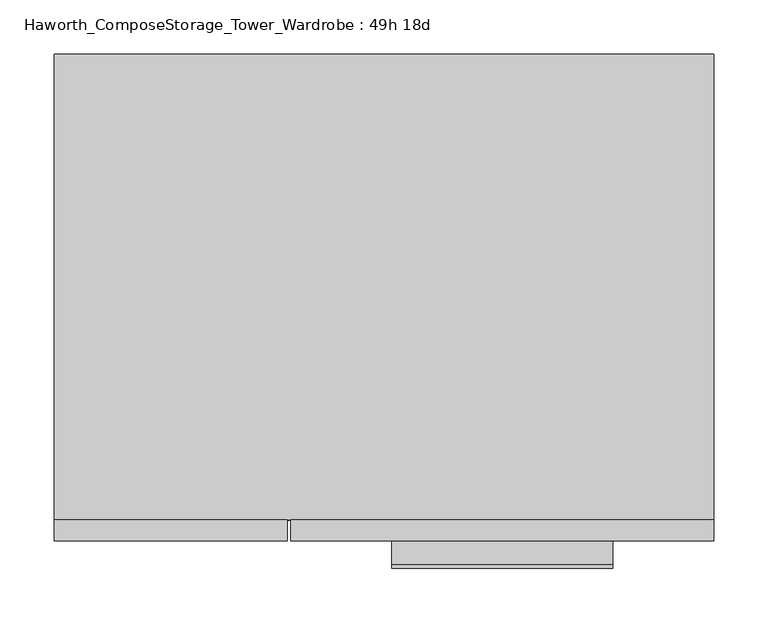
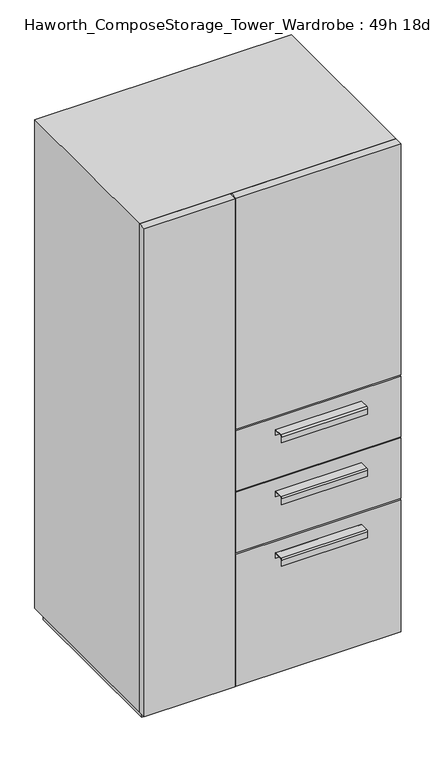
"""IFC4 building model written with IfcOpenShell, lengths in millimetres: furniture geometry, Haworth_ComposeStorage_Tower_Wardrobe : 49h 18d."""

from ifc_helpers import new_model, si_unit, point, frame, frame_2d, origin, origin_with_axes, place, context, project, spatial, polyline, circle_curve, trimmed, segment, composite_curve, outline, extrude, faceted_brep, source, transform, mapped, element, save


def haworth_composestorage_tower_wardrobe_49h_18d_2ef11e30(model_context):
    return source(origin(), model_context, "Body", "SolidModel", [
        extrude(outline(composite_curve([segment(polyline([(-255.5875242, 633.9919215), (-233.3625, 633.9919215), (-233.3625, 620.5299525), (-234.1562742, 620.5299525), (-234.1562742, 633.1982199), (-255.5875242, 633.1982199)]), True, "CONTINUOUS"), segment(trimmed(circle_curve(frame_2d((-255.5875242, 630.8142808)), 2.3839392), [point((-255.5875242, 633.1982199))], [point((-257.9714634, 630.8142808))], True, "CARTESIAN"), True, "CONTINUOUS"), segment(polyline([(-257.9714634, 630.8142808), (-257.9714634, 616.2119021), (-258.7624758, 616.2119021), (-258.7624758, 630.8169699)]), True, "CONTINUOUS"), segment(trimmed(circle_curve(frame_2d((-255.5875242, 630.8169699)), 3.1749516), [point((-258.7624758, 630.8169699))], [point((-255.5875242, 633.9919215))], False, "CARTESIAN"), True, "CONTINUOUS")], self_intersect=False)), frame((7.1576406, 0.0, 0.0), z_axis=(1.0, 0.0, 0.0), x_axis=(0.0, 1.0, 0.0)), (0.0, 0.0, 1.0), 203.2),
        extrude(outline(polyline([(303.2263906, -214.3125), (303.2263906, -233.3625), (-85.7111094, -233.3625), (-85.7111094, -214.3125), (303.2263906, -214.3125)])), frame((0.0, 0.0, 512.7625), z_axis=(0.0, 0.0, 1.0), x_axis=(1.0, 0.0, 0.0)), (0.0, 0.0, 1.0), 150.8125),
        extrude(outline(composite_curve([segment(polyline([(-255.5875242, 480.0044215), (-233.3625, 480.0044215), (-233.3625, 466.5424525), (-234.1562742, 466.5424525), (-234.1562742, 479.2107199), (-255.5875242, 479.2107199)]), True, "CONTINUOUS"), segment(trimmed(circle_curve(frame_2d((-255.5875242, 476.8267808)), 2.3839392), [point((-255.5875242, 479.2107199))], [point((-257.9714634, 476.8267808))], True, "CARTESIAN"), True, "CONTINUOUS"), segment(polyline([(-257.9714634, 476.8267808), (-257.9714634, 462.2244021), (-258.7624758, 462.2244021), (-258.7624758, 476.8294699)]), True, "CONTINUOUS"), segment(trimmed(circle_curve(frame_2d((-255.5875242, 476.8294699)), 3.1749516), [point((-258.7624758, 476.8294699))], [point((-255.5875242, 480.0044215))], False, "CARTESIAN"), True, "CONTINUOUS")], self_intersect=False)), frame((7.1576406, 0.0, 0.0), z_axis=(1.0, 0.0, 0.0), x_axis=(0.0, 1.0, 0.0)), (0.0, 0.0, 1.0), 203.2),
        extrude(outline(polyline([(303.2263906, -214.3125), (303.2263906, -233.3625), (-85.7111094, -233.3625), (-85.7111094, -214.3125), (303.2263906, -214.3125)])), frame((0.0, 0.0, 358.775), z_axis=(0.0, 0.0, 1.0), x_axis=(1.0, 0.0, 0.0)), (0.0, 0.0, 1.0), 150.8125),
        extrude(outline(composite_curve([segment(polyline([(-255.5875242, 326.0169215), (-233.3625, 326.0169215), (-233.3625, 312.5549525), (-234.1562742, 312.5549525), (-234.1562742, 325.2232199), (-255.5875242, 325.2232199)]), True, "CONTINUOUS"), segment(trimmed(circle_curve(frame_2d((-255.5875242, 322.8392808)), 2.3839392), [point((-255.5875242, 325.2232199))], [point((-257.9714634, 322.8392808))], True, "CARTESIAN"), True, "CONTINUOUS"), segment(polyline([(-257.9714634, 322.8392808), (-257.9714634, 308.2369021), (-258.7624758, 308.2369021), (-258.7624758, 322.8419699)]), True, "CONTINUOUS"), segment(trimmed(circle_curve(frame_2d((-255.5875242, 322.8419699)), 3.1749516), [point((-258.7624758, 322.8419699))], [point((-255.5875242, 326.0169215))], False, "CARTESIAN"), True, "CONTINUOUS")], self_intersect=False)), frame((7.1576406, 0.0, 0.0), z_axis=(1.0, 0.0, 0.0), x_axis=(0.0, 1.0, 0.0)), (0.0, 0.0, 1.0), 203.2),
        extrude(outline(polyline([(303.2263906, -214.3125), (303.2263906, -233.3625), (-85.7111094, -233.3625), (-85.7111094, -214.3125), (303.2263906, -214.3125)])), frame((0.0, 0.0, 25.4), z_axis=(0.0, 0.0, 1.0), x_axis=(1.0, 0.0, 0.0)), (0.0, 0.0, 1.0), 330.2),
        extrude(outline(polyline([(303.2263906, -214.3125), (303.2263906, -233.3625), (-85.7111094, -233.3625), (-85.7111094, -214.3125), (303.2263906, -214.3125)])), frame((0.0, 0.0, 666.75), z_axis=(0.0, 0.0, 1.0), x_axis=(1.0, 0.0, 0.0)), (0.0, 0.0, 1.0), 577.85),
        extrude(outline(polyline([(-303.1986094, -233.3625), (-303.1986094, -214.3125), (-88.8861094, -214.3125), (-88.8861094, -233.3625), (-303.1986094, -233.3625)])), frame((0.0, 0.0, 25.4), z_axis=(0.0, 0.0, 1.0), x_axis=(1.0, 0.0, 0.0)), (0.0, 0.0, 1.0), 1219.2),
        faceted_brep([(-303.1986094, -214.3125, 25.4), (303.2263906, -214.3125, 25.4), (303.2263906, -214.3125, 1244.6), (-303.1986094, -214.3125, 1244.6), (-284.1486094, -214.3125, 44.45), (-284.1486094, -214.3125, 1225.55), (284.1694453, -214.3125, 1225.55), (284.1694453, -214.3125, 44.45), (-303.1986094, 214.3125, 25.4), (-303.1986094, 214.3125, 1244.6), (303.2263906, 214.3125, 1244.6), (303.2263906, 214.3125, 25.4), (-284.1486094, 195.2625, 44.45), (-284.1486094, 195.2625, 1225.55), (284.1694453, 195.2625, 1225.55), (284.1694453, 195.2625, 44.45)], [[[0, 1, 2, 3], [4, 5, 6, 7]], [[8, 9, 10, 11]], [[1, 0, 8, 11]], [[2, 1, 11, 10]], [[3, 2, 10, 9]], [[0, 3, 9, 8]], [[5, 4, 12, 13]], [[6, 5, 13, 14]], [[7, 6, 14, 15]], [[4, 7, 15, 12]], [[13, 12, 15, 14]]]),
        extrude(outline(polyline([(290.5263906, -201.6125), (-290.4986094, -201.6125), (-290.4986094, 201.6125), (290.5263906, 201.6125), (290.5263906, -201.6125)])), origin_with_axes(), (0.0, 0.0, 1.0), 25.4),
    ])


if __name__ == "__main__":
    model = new_model("IFC4")
    model_context = context("Model", 3, world=origin())
    ifc_project = project(units=[si_unit("LENGTHUNIT", "METRE", prefix="MILLI")], contexts=[model_context])
    site = spatial("IfcSite", under=ifc_project)
    building = spatial("IfcBuilding", under=site)
    placement = place(None, origin())
    haworth_composestorage_tower_wardrobe_49h_18d_shape = haworth_composestorage_tower_wardrobe_49h_18d_2ef11e30(model_context)
    element("IfcFurniture", 1, ObjectType="Haworth_ComposeStorage_Tower_Wardrobe : 49h 18d", at=placement, inside=building, context=model_context, shape_type="MappedRepresentation", body=[
        mapped(haworth_composestorage_tower_wardrobe_49h_18d_shape, transform((0.0, 0.0, 0.0), x_axis=(1.0, 0.0, 0.0), y_axis=(0.0, 1.0, 0.0), z_axis=(0.0, 0.0, 1.0))),
    ])
    save(model, "model.ifc")
